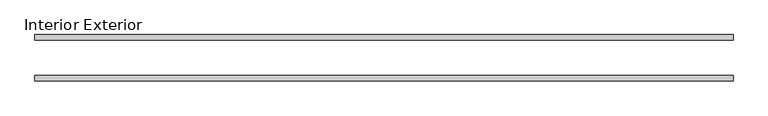
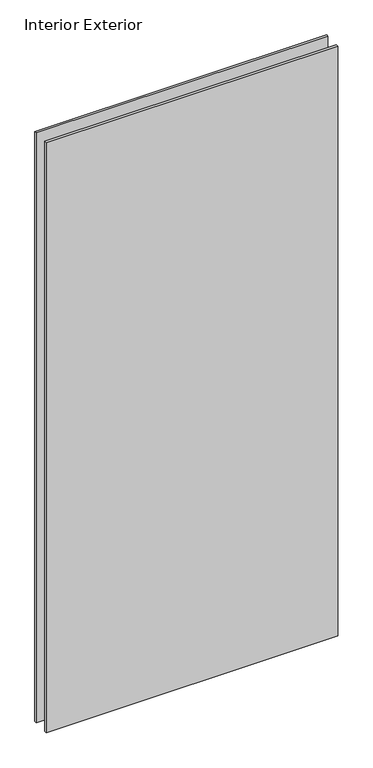
"""IFC4 building model written with IfcOpenShell, lengths in millimetres: plate geometry, Interior Exterior."""

from ifc_helpers import new_model, si_unit, frame, origin, place, context, project, spatial, polyline, outline, extrude, source, transform, mapped, element, save


def interior_exterior_75f726fc(model_context):
    return source(origin(), model_context, "Body", "SweptSolid", [
        extrude(outline(polyline([(630.2375, -41.275), (-614.3625, -41.275), (-614.3625, -31.75), (630.2375, -31.75), (630.2375, -41.275)])), frame((0.0, 0.0, -25.4), z_axis=(0.0, 0.0, 1.0), x_axis=(1.0, 0.0, 0.0)), (0.0, 0.0, 1.0), 2663.825),
        extrude(outline(polyline([(630.2375, 41.275), (630.2375, 31.75), (-614.3625, 31.75), (-614.3625, 41.275), (630.2375, 41.275)])), frame((0.0, 0.0, -25.4), z_axis=(0.0, 0.0, 1.0), x_axis=(1.0, 0.0, 0.0)), (0.0, 0.0, 1.0), 2663.825),
    ])


if __name__ == "__main__":
    model = new_model("IFC4")
    model_context = context("Model", 3, world=origin())
    ifc_project = project(units=[si_unit("LENGTHUNIT", "METRE", prefix="MILLI")], contexts=[model_context])
    site = spatial("IfcSite", under=ifc_project)
    building = spatial("IfcBuilding", under=site)
    placement = place(None, origin())
    interior_exterior_shape = interior_exterior_75f726fc(model_context)
    element("IfcPlate", 1, ObjectType="Interior Exterior", at=placement, inside=building, context=model_context, shape_type="MappedRepresentation", body=[
        mapped(interior_exterior_shape, transform((0.0, 0.0, 0.0), x_axis=(1.0, 0.0, 0.0), y_axis=(0.0, 1.0, 0.0), z_axis=(0.0, 0.0, 1.0))),
    ])
    save(model, "model.ifc")
